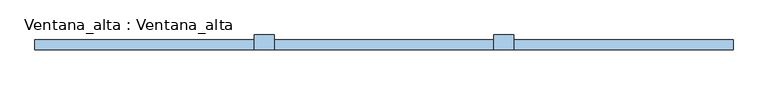
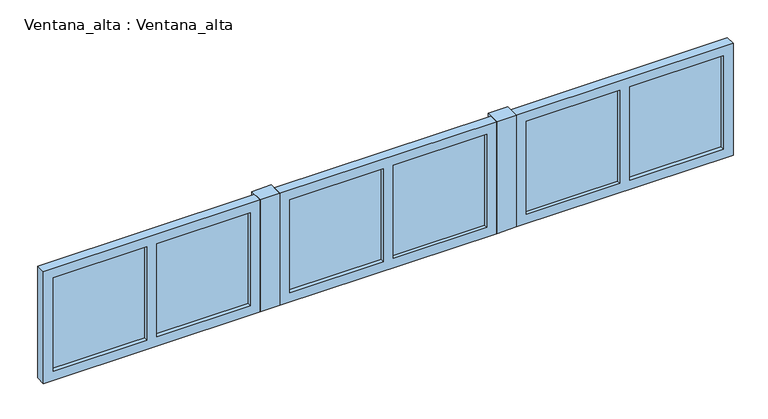
"""IFC4 building model written with IfcOpenShell, lengths in millimetres: window geometry, Ventana_alta : Ventana_alta."""

import ifcopenshell
import ifcopenshell.guid

model = None  # the IFC model being written
_history = None  # IfcOwnerHistory: only IFC2X3 demands one
_inside = {}  # id of a spatial element -> (the spatial element, [elements in it])
_under = {}  # id of a project, library or spatial element -> (it, [spatial elements below it])
_declared = {}  # id of a project -> (the project, [libraries it declares])
_typed = {}  # id of a type object -> (the type object, [elements of that type])
_made_of = {}  # id of a material, layer set ... -> (it, [elements and type objects made of it])


def new_model(schema):
    """Start an empty IFC model of exactly this schema.

    Asked for "IFC4X3", IfcOpenShell would pick the latest addendum, in which some entities
    have other attributes; the version numbers below select the first issue.
    IFC2X3 requires an IfcOwnerHistory on every rooted entity: one is made here for all.
    """
    global model, _history
    if schema == "IFC4X3":
        model = ifcopenshell.file(schema_version=(4, 3, 0, 0))
    else:
        model = ifcopenshell.file(schema=schema)
    _inside.clear()
    _under.clear()
    _declared.clear()
    _typed.clear()
    _made_of.clear()
    _history = None
    if model.schema == "IFC2X3":
        org = make("IfcOrganization", Name="unknown")
        user = make(
            "IfcPersonAndOrganization",
            ThePerson=make("IfcPerson", FamilyName="unknown"),
            TheOrganization=org,
        )
        app = make(
            "IfcApplication",
            ApplicationDeveloper=org,
            Version="unknown",
            ApplicationFullName="unknown",
            ApplicationIdentifier="unknown",
        )
        _history = make(
            "IfcOwnerHistory",
            OwningUser=user,
            OwningApplication=app,
            ChangeAction="ADDED",
            CreationDate=0,
        )
    return model


def make(cls, **values):
    """One entity of the class cls with the attributes given. An attribute that is None is left unset."""
    return model.create_entity(
        cls, **{name: value for name, value in values.items() if value is not None}
    )


def rooted(cls, **values):
    """An entity with a GlobalId (a new one), such as an element, a storey or a relation."""
    return make(cls, GlobalId=ifcopenshell.guid.new(), OwnerHistory=_history, **values)


def si_unit(unit_type, name, prefix=None):
    """IfcSIUnit, for example si_unit("LENGTHUNIT", "METRE", prefix="MILLI")."""
    return make("IfcSIUnit", UnitType=unit_type, Prefix=prefix, Name=name)


def assignment(units):
    """IfcUnitAssignment: the units of a project."""
    return None if units is None else make("IfcUnitAssignment", Units=units)


def point(xyz):
    """IfcCartesianPoint."""
    return None if xyz is None else make("IfcCartesianPoint", Coordinates=xyz)


def direction(xyz):
    """IfcDirection."""
    return None if xyz is None else make("IfcDirection", DirectionRatios=xyz)


def frame(location, z_axis=None, x_axis=None):
    """IfcAxis2Placement3D, a coordinate frame: its origin and axes. An axis left out is left unset."""
    return make(
        "IfcAxis2Placement3D",
        Location=point(location),
        Axis=direction(z_axis),
        RefDirection=direction(x_axis),
    )


def origin():
    """The frame at (0, 0, 0) with its axes left unset."""
    return frame((0.0, 0.0, 0.0))


def place(relative_to, where):
    """IfcLocalPlacement: puts the frame where relative to a parent placement (None: the world)."""
    return make(
        "IfcLocalPlacement", PlacementRelTo=relative_to, RelativePlacement=where
    )


def context(
    kind, dimensions, precision=None, world=None, true_north=None, identifier=None
):
    """IfcGeometricRepresentationContext, for example the 3D "Model" context."""
    return make(
        "IfcGeometricRepresentationContext",
        ContextIdentifier=identifier,
        ContextType=kind,
        CoordinateSpaceDimension=dimensions,
        Precision=precision,
        WorldCoordinateSystem=world,
        TrueNorth=true_north,
    )


def project(units=None, contexts=None):
    """IfcProject with its units and contexts."""
    return rooted(
        "IfcProject",
        Name="project",
        RepresentationContexts=contexts,
        UnitsInContext=assignment(units),
    )


def spatial(cls, under=None, at=None, **own):
    """A site, building, storey or space (cls), placed at a placement, below another one or the project."""
    s = rooted(cls, ObjectPlacement=at, **own)
    if under is not None:
        _under.setdefault(under.id(), (under, []))[1].append(s)
    return s


def polyline(points):
    """IfcPolyline through the points."""
    return make("IfcPolyline", Points=[point(p) for p in points])


def outline(outer, holes=None, kind="AREA"):
    """IfcArbitraryClosedProfileDef: a profile drawn as a closed curve; with holes, ...WithVoids."""
    if holes is None:
        return make("IfcArbitraryClosedProfileDef", ProfileType=kind, OuterCurve=outer)
    return make(
        "IfcArbitraryProfileDefWithVoids",
        ProfileType=kind,
        OuterCurve=outer,
        InnerCurves=holes,
    )


def extrude(swept, where, along, depth):
    """IfcExtrudedAreaSolid: the profile swept, set in the frame where, extruded along a direction by depth."""
    return make(
        "IfcExtrudedAreaSolid",
        SweptArea=swept,
        Position=where,
        ExtrudedDirection=direction(along),
        Depth=depth,
    )


def shape(context_of_items, identifier, shape_type, items):
    """IfcShapeRepresentation: the items that make up one representation, for example the "Body"."""
    return make(
        "IfcShapeRepresentation",
        ContextOfItems=context_of_items,
        RepresentationIdentifier=identifier,
        RepresentationType=shape_type,
        Items=items,
    )


def source(mapping_origin, context_of_items, identifier, shape_type, items):
    """IfcRepresentationMap: a shape defined once, which mapped items show again and again."""
    return make(
        "IfcRepresentationMap",
        MappingOrigin=mapping_origin,
        MappedRepresentation=shape(context_of_items, identifier, shape_type, items),
    )


def transform(
    local_origin,
    x_axis=None,
    y_axis=None,
    z_axis=None,
    scale=None,
    scale2=None,
    scale3=None,
    uniform=True,
):
    """IfcCartesianTransformationOperator3D, or its non-uniform kind. x_axis, y_axis, z_axis: its Axis1, 2, 3."""
    if uniform:
        return make(
            "IfcCartesianTransformationOperator3D",
            Axis1=direction(x_axis),
            Axis2=direction(y_axis),
            LocalOrigin=point(local_origin),
            Scale=scale,
            Axis3=direction(z_axis),
        )
    return make(
        "IfcCartesianTransformationOperator3DnonUniform",
        Axis1=direction(x_axis),
        Axis2=direction(y_axis),
        LocalOrigin=point(local_origin),
        Scale=scale,
        Axis3=direction(z_axis),
        Scale2=scale2,
        Scale3=scale3,
    )


def mapped(mapping_source, mapping_target):
    """IfcMappedItem: shows the shape of a source again, moved by a transform."""
    return make(
        "IfcMappedItem", MappingSource=mapping_source, MappingTarget=mapping_target
    )


def made_of(thing, what):
    """Note that an element or type object is made of a material, layer set ...; save() writes the relation."""
    if what is not None:
        _made_of.setdefault(what.id(), (what, []))[1].append(thing)
    return thing


def element(
    cls,
    number,
    at=None,
    inside=None,
    cuts=None,
    type_object=None,
    material=None,
    context=None,
    identifier="Body",
    shape_type=None,
    held_by="IfcProductDefinitionShape",
    body=None,
    shapes=None,
    **own,
):
    """One element of the class cls, such as IfcWall. Its Tag is "e" and its number.

    at: its placement. inside: the storey or other place that contains it. cuts: it is an
    opening in that element (IfcRelVoidsElement). A single representation is given by context,
    identifier, shape_type and body (its items); several are given by shapes. held_by: the class
    of the entity that holds the representations. save() writes the other relations.
    """
    e = rooted(cls, Tag="e%d" % number, ObjectPlacement=at, **own)
    if body is not None:
        shapes = [shape(context, identifier, shape_type, body)]
    if shapes is not None:
        e.Representation = make(held_by, Representations=shapes)
    if inside is not None:
        _inside.setdefault(inside.id(), (inside, []))[1].append(e)
    if cuts is not None:
        rooted(
            "IfcRelVoidsElement", RelatingBuildingElement=cuts, RelatedOpeningElement=e
        )
    if type_object is not None:
        _typed.setdefault(type_object.id(), (type_object, []))[1].append(e)
    return made_of(e, material)


def aggregate(whole, parts):
    """IfcRelAggregates: a whole, such as a stair, and the parts it consists of."""
    return rooted("IfcRelAggregates", RelatingObject=whole, RelatedObjects=parts)


def save(model, path):
    """Write the relations noted so far, then the file.

    IfcRelAggregates (storeys below a building ...), IfcRelContainedInSpatialStructure (elements
    in a storey), IfcRelDefinesByType, IfcRelAssociatesMaterial and IfcRelDeclares: one each for
    every whole, place, type object, material and project.
    """
    for whole, parts in _under.values():
        aggregate(whole, parts)
    for where, things in _inside.values():
        rooted(
            "IfcRelContainedInSpatialStructure",
            RelatedElements=things,
            RelatingStructure=where,
        )
    for kind, things in _typed.values():
        rooted("IfcRelDefinesByType", RelatedObjects=things, RelatingType=kind)
    for what, things in _made_of.values():
        rooted("IfcRelAssociatesMaterial", RelatedObjects=things, RelatingMaterial=what)
    for by, libraries in _declared.values():
        rooted("IfcRelDeclares", RelatingContext=by, RelatedDefinitions=libraries)
    model.write(path)


def ventana_alta_ventana_alta_affb124e(model_context):
    return source(origin(), model_context, "Body", "SweptSolid", [
        extrude(outline(polyline([(650.0, -125.0), (550.0, -125.0), (550.0, -50.0), (650.0, -50.0), (650.0, -125.0)])), frame((0.0, 0.0, 800.0), z_axis=(0.0, 0.0, 1.0), x_axis=(1.0, 0.0, 0.0)), (0.0, 0.0, 1.0), 600.0),
        extrude(outline(polyline([(-550.0, -125.0), (-650.0, -125.0), (-650.0, -50.0), (-550.0, -50.0), (-550.0, -125.0)])), frame((0.0, 0.0, 800.0), z_axis=(0.0, 0.0, 1.0), x_axis=(1.0, 0.0, 0.0)), (0.0, 0.0, 1.0), 600.0),
        extrude(outline(polyline([(1175.0, -105.0), (700.0, -105.0), (700.0, -95.0), (1175.0, -95.0), (1175.0, -105.0)])), frame((0.0, 0.0, 850.0), z_axis=(0.0, 0.0, 1.0), x_axis=(1.0, 0.0, 0.0)), (0.0, 0.0, 1.0), 500.0),
        extrude(outline(polyline([(1700.0, -105.0), (1225.0, -105.0), (1225.0, -95.0), (1700.0, -95.0), (1700.0, -105.0)])), frame((0.0, 0.0, 850.0), z_axis=(0.0, 0.0, 1.0), x_axis=(1.0, 0.0, 0.0)), (0.0, 0.0, 1.0), 500.0),
        extrude(outline(polyline([(1400.0, 1750.0), (1400.0, 650.0), (800.0, 650.0), (800.0, 1750.0), (1400.0, 1750.0)]), holes=[polyline([(1350.0, 1700.0), (850.0, 1700.0), (850.0, 1225.0), (1350.0, 1225.0), (1350.0, 1700.0)]), polyline([(850.0, 1175.0), (850.0, 700.0), (1350.0, 700.0), (1350.0, 1175.0), (850.0, 1175.0)])]), frame((0.0, -125.0, 0.0), z_axis=(0.0, 1.0, 0.0), x_axis=(0.0, 0.0, 1.0)), (0.0, 0.0, 1.0), 50.0),
        extrude(outline(polyline([(-25.0, -105.0), (-500.0, -105.0), (-500.0, -95.0), (-25.0, -95.0), (-25.0, -105.0)])), frame((0.0, 0.0, 850.0), z_axis=(0.0, 0.0, 1.0), x_axis=(1.0, 0.0, 0.0)), (0.0, 0.0, 1.0), 500.0),
        extrude(outline(polyline([(500.0, -105.0), (25.0, -105.0), (25.0, -95.0), (500.0, -95.0), (500.0, -105.0)])), frame((0.0, 0.0, 850.0), z_axis=(0.0, 0.0, 1.0), x_axis=(1.0, 0.0, 0.0)), (0.0, 0.0, 1.0), 500.0),
        extrude(outline(polyline([(1400.0, 550.0), (1400.0, -550.0), (800.0, -550.0), (800.0, 550.0), (1400.0, 550.0)]), holes=[polyline([(1350.0, 500.0), (850.0, 500.0), (850.0, 25.0), (1350.0, 25.0), (1350.0, 500.0)]), polyline([(850.0, -25.0), (850.0, -500.0), (1350.0, -500.0), (1350.0, -25.0), (850.0, -25.0)])]), frame((0.0, -125.0, 0.0), z_axis=(0.0, 1.0, 0.0), x_axis=(0.0, 0.0, 1.0)), (0.0, 0.0, 1.0), 50.0),
        extrude(outline(polyline([(-1225.0, -105.0), (-1700.0, -105.0), (-1700.0, -95.0), (-1225.0, -95.0), (-1225.0, -105.0)])), frame((0.0, 0.0, 850.0), z_axis=(0.0, 0.0, 1.0), x_axis=(1.0, 0.0, 0.0)), (0.0, 0.0, 1.0), 500.0),
        extrude(outline(polyline([(-700.0, -105.0), (-1175.0, -105.0), (-1175.0, -95.0), (-700.0, -95.0), (-700.0, -105.0)])), frame((0.0, 0.0, 850.0), z_axis=(0.0, 0.0, 1.0), x_axis=(1.0, 0.0, 0.0)), (0.0, 0.0, 1.0), 500.0),
        extrude(outline(polyline([(1400.0, -650.0), (1400.0, -1750.0), (800.0, -1750.0), (800.0, -650.0), (1400.0, -650.0)]), holes=[polyline([(1350.0, -700.0), (850.0, -700.0), (850.0, -1175.0), (1350.0, -1175.0), (1350.0, -700.0)]), polyline([(850.0, -1225.0), (850.0, -1700.0), (1350.0, -1700.0), (1350.0, -1225.0), (850.0, -1225.0)])]), frame((0.0, -125.0, 0.0), z_axis=(0.0, 1.0, 0.0), x_axis=(0.0, 0.0, 1.0)), (0.0, 0.0, 1.0), 50.0),
    ])


if __name__ == "__main__":
    model = new_model("IFC4")
    model_context = context("Model", 3, world=origin())
    ifc_project = project(units=[si_unit("LENGTHUNIT", "METRE", prefix="MILLI")], contexts=[model_context])
    site = spatial("IfcSite", under=ifc_project)
    building = spatial("IfcBuilding", under=site)
    placement = place(None, origin())
    ventana_alta_ventana_alta_shape = ventana_alta_ventana_alta_affb124e(model_context)
    element("IfcWindow", 1, ObjectType="Ventana_alta : Ventana_alta", at=placement, inside=building, context=model_context, shape_type="MappedRepresentation", body=[
        mapped(ventana_alta_ventana_alta_shape, transform((0.0, 0.0, 0.0), x_axis=(1.0, 0.0, 0.0), y_axis=(0.0, 1.0, 0.0), z_axis=(0.0, 0.0, 1.0))),
    ])
    save(model, "model.ifc")
